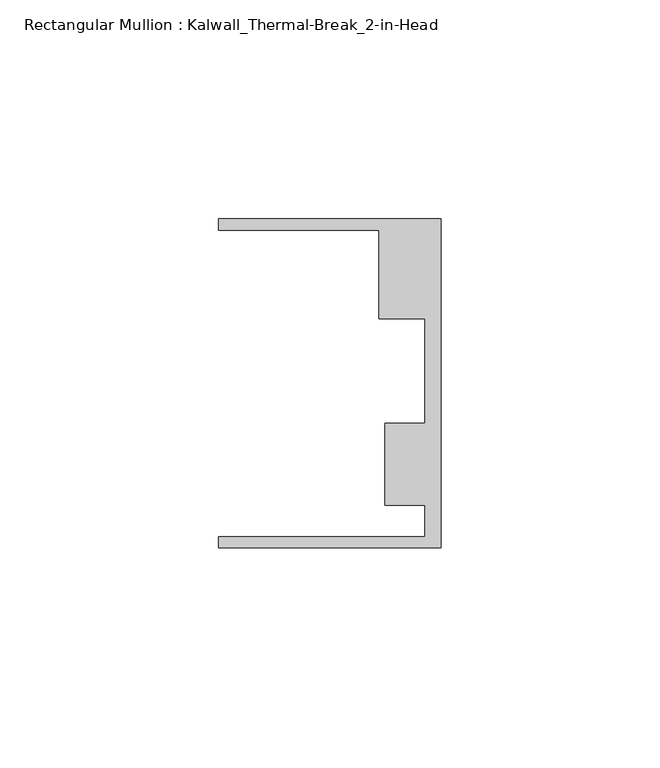
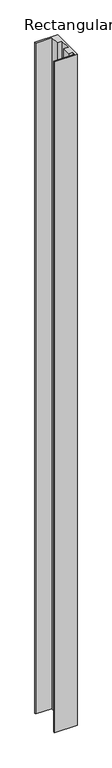
"""IFC4 building model written with IfcOpenShell, lengths in millimetres: member geometry, Rectangular Mullion : Kalwall_Thermal-Break_2-in-Head."""

from ifc_helpers import new_model, si_unit, frame, origin, place, context, project, spatial, polyline, outline, extrude, source, transform, mapped, element, save


def rectangular_mullion_kalwall_thermal_break_2_in_head_f2e735a8(model_context):
    return source(origin(), model_context, "Body", "SweptSolid", [
        extrude(outline(polyline([(0.0, -37.5776386), (-50.8, -37.5776386), (-50.8, -35.0376386), (-3.7084, -35.0376386), (-3.7084, -27.8888568), (-12.8272539, -27.8888568), (-12.8272539, -9.1879886), (-3.7084, -9.1879886), (-3.7084, 14.7439614), (-14.1732, 14.7439614), (-14.1732, 34.9623614), (-50.8, 34.9623614), (-50.8, 37.5023614), (0.0, 37.5023614), (0.0, -37.5776386)])), frame((0.0, 0.0, -1585.0068), z_axis=(0.0, 0.0, 1.0), x_axis=(1.0, 0.0, 0.0)), (0.0, 0.0, 1.0), 1585.0068),
    ])


if __name__ == "__main__":
    model = new_model("IFC4")
    model_context = context("Model", 3, world=origin())
    ifc_project = project(units=[si_unit("LENGTHUNIT", "METRE", prefix="MILLI")], contexts=[model_context])
    site = spatial("IfcSite", under=ifc_project)
    building = spatial("IfcBuilding", under=site)
    placement = place(None, origin())
    rectangular_mullion_kalwall_thermal_break_2_in_head_shape = rectangular_mullion_kalwall_thermal_break_2_in_head_f2e735a8(model_context)
    element("IfcMember", 1, ObjectType="Rectangular Mullion : Kalwall_Thermal-Break_2-in-Head", at=placement, inside=building, context=model_context, shape_type="MappedRepresentation", body=[
        mapped(rectangular_mullion_kalwall_thermal_break_2_in_head_shape, transform((0.0, 0.0, 0.0), x_axis=(1.0, 0.0, 0.0), y_axis=(0.0, 1.0, 0.0), z_axis=(0.0, 0.0, 1.0))),
    ])
    save(model, "model.ifc")
